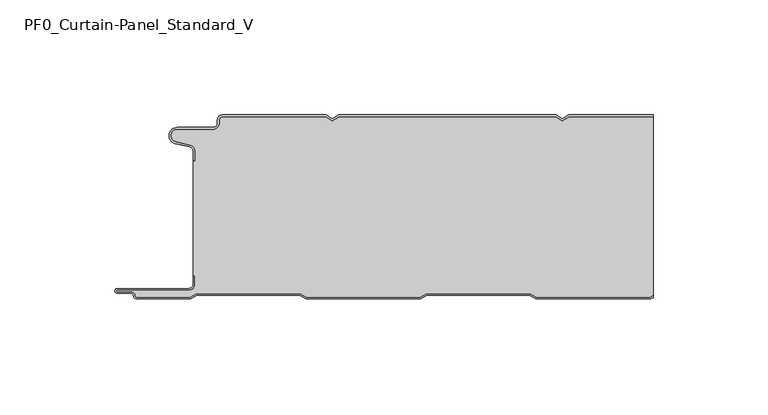
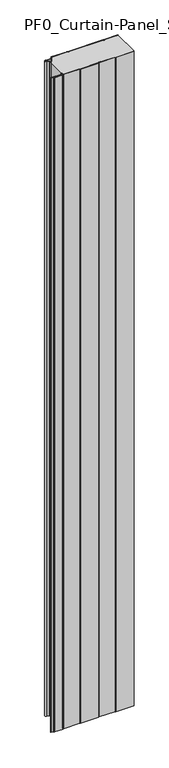
"""IFC4 building model written with IfcOpenShell, lengths in millimetres: plate geometry, PF0_Curtain-Panel_Standard_V."""

from ifc_helpers import new_model, si_unit, point, frame_2d, origin, origin_with_axes, place, context, project, spatial, polyline, circle_curve, trimmed, segment, composite_curve, outline, extrude, source, transform, mapped, element, save


def pf0_curtain_panel_standard_v_5901751e(model_context):
    return source(origin(), model_context, "Body", "SweptSolid", [
        extrude(outline(composite_curve([segment(trimmed(circle_curve(frame_2d((-102.0119739, -15.878557)), 2.0), [point((-100.0119739, -15.878557))], [point((-101.5620718, -13.9298169))], True, "CARTESIAN"), True, "CONTINUOUS"), segment(polyline([(-101.5620718, -13.9298169), (-107.7217978, -12.507732)]), True, "CONTINUOUS"), segment(trimmed(circle_curve(frame_2d((-106.9119739, -9.0)), 3.6), [point((-107.7217978, -12.507732))], [point((-106.9119739, -5.4))], False, "CARTESIAN"), True, "CONTINUOUS"), segment(polyline([(-106.9119739, -5.4), (-91.4119739, -5.4)]), True, "CONTINUOUS"), segment(trimmed(circle_curve(frame_2d((-91.4119739, -3.4)), 2.0), [point((-91.4119739, -5.4))], [point((-89.4119739, -3.4))], True, "CARTESIAN"), True, "CONTINUOUS"), segment(polyline([(-89.4119739, -3.4), (-89.4119739, -2.0)]), True, "CONTINUOUS"), segment(trimmed(circle_curve(frame_2d((-87.4119739, -2.0)), 2.0), [point((-89.4119739, -2.0))], [point((-87.4119739, 0.0))], False, "CARTESIAN"), True, "CONTINUOUS"), segment(polyline([(-87.4119739, 0.0), (-42.1119734, 0.0), (-39.4119739, -1.5588455), (-36.7119745, 0.0), (57.8880266, 0.0), (60.5880261, -1.5588455), (63.2880255, 0.0), (100.0119739, 0.0), (100.0119739, -0.8), (63.5023849, -0.8), (60.5880261, -2.482606), (57.6736672, -0.8), (-36.4976151, -0.8), (-39.4119739, -2.482606), (-42.3263328, -0.8), (-87.4119739, -0.8)]), True, "CONTINUOUS"), segment(trimmed(circle_curve(frame_2d((-87.4119739, -2.0)), 1.2), [point((-87.4119739, -0.8))], [point((-88.6119739, -2.0))], True, "CARTESIAN"), True, "CONTINUOUS"), segment(polyline([(-88.6119739, -2.0), (-88.6119739, -3.4)]), True, "CONTINUOUS"), segment(trimmed(circle_curve(frame_2d((-91.4119739, -3.4)), 2.8), [point((-88.6119739, -3.4))], [point((-91.4119739, -6.2))], False, "CARTESIAN"), True, "CONTINUOUS"), segment(polyline([(-91.4119739, -6.2), (-106.9119739, -6.2)]), True, "CONTINUOUS"), segment(trimmed(circle_curve(frame_2d((-106.9119739, -9.0)), 2.8), [point((-106.9119739, -6.2))], [point((-107.541837, -11.7282362))], True, "CARTESIAN"), True, "CONTINUOUS"), segment(polyline([(-107.541837, -11.7282362), (-101.3821109, -13.150321)]), True, "CONTINUOUS"), segment(trimmed(circle_curve(frame_2d((-102.0119739, -15.878557)), 2.8), [point((-101.3821109, -13.150321))], [point((-99.2119739, -15.878557))], False, "CARTESIAN"), True, "CONTINUOUS"), segment(polyline([(-99.2119739, -15.878557), (-99.2119739, -20.0), (-100.0119739, -20.0), (-100.0119739, -15.878557)]), True, "CONTINUOUS")], self_intersect=False)), origin_with_axes(), (0.0, 0.0, 1.0), 1945.7507136),
        extrude(outline(composite_curve([segment(polyline([(-99.2119739, -70.0), (-100.0119739, -70.0), (-100.0119739, -20.0), (-99.2119739, -20.0), (-99.2119739, -15.878557)]), True, "CONTINUOUS"), segment(trimmed(circle_curve(frame_2d((-102.0119739, -15.878557)), 2.8), [point((-99.2119739, -15.878557))], [point((-101.3821109, -13.1503208))], True, "CARTESIAN"), True, "CONTINUOUS"), segment(polyline([(-101.3821109, -13.1503208), (-107.5418369, -11.7282362)]), True, "CONTINUOUS"), segment(trimmed(circle_curve(frame_2d((-106.9119739, -9.0)), 2.8), [point((-107.5418369, -11.7282362))], [point((-106.9119739, -6.2))], False, "CARTESIAN"), True, "CONTINUOUS"), segment(polyline([(-106.9119739, -6.2), (-91.4119739, -6.2)]), True, "CONTINUOUS"), segment(trimmed(circle_curve(frame_2d((-91.4119739, -3.4)), 2.8), [point((-91.4119739, -6.2))], [point((-88.6119739, -3.4))], True, "CARTESIAN"), True, "CONTINUOUS"), segment(polyline([(-88.6119739, -3.4), (-88.6119739, -2.0)]), True, "CONTINUOUS"), segment(trimmed(circle_curve(frame_2d((-87.4119739, -2.0)), 1.2), [point((-88.6119739, -2.0))], [point((-87.4119739, -0.8))], False, "CARTESIAN"), True, "CONTINUOUS"), segment(polyline([(-87.4119739, -0.8), (-42.3263328, -0.8), (-39.4119739, -2.482606), (-36.4976151, -0.8), (57.6736672, -0.8), (60.5880261, -2.482606), (63.5023849, -0.8), (100.0119739, -0.8), (100.0119739, -78.4878024), (98.7784109, -79.2), (49.2032822, -79.2), (46.6052046, -77.7), (1.3764885, -77.7), (-1.2215891, -79.2), (-50.7967178, -79.2), (-53.3947954, -77.7), (-98.6235115, -77.7), (-101.2215891, -79.2), (-124.4119739, -79.2)]), True, "CONTINUOUS"), segment(trimmed(circle_curve(frame_2d((-124.4119739, -78.4)), 0.8), [point((-124.4119739, -79.2))], [point((-125.2119739, -78.4))], False, "CARTESIAN"), True, "CONTINUOUS"), segment(trimmed(circle_curve(frame_2d((-126.9119739, -78.6133333)), 1.7133333), [point((-125.2119739, -78.4))], [point((-126.9119739, -76.9))], True, "CARTESIAN"), True, "CONTINUOUS"), segment(polyline([(-126.9119739, -76.9), (-132.8820051, -76.9)]), True, "CONTINUOUS"), segment(trimmed(circle_curve(frame_2d((-132.8820051, -76.6)), 0.3), [point((-132.8820051, -76.9))], [point((-132.8820051, -76.3))], False, "CARTESIAN"), True, "CONTINUOUS"), segment(polyline([(-132.8820051, -76.3), (-102.0119739, -76.3)]), True, "CONTINUOUS"), segment(trimmed(circle_curve(frame_2d((-102.0119739, -73.5)), 2.8), [point((-102.0119739, -76.3))], [point((-99.2119739, -73.5))], True, "CARTESIAN"), True, "CONTINUOUS"), segment(polyline([(-99.2119739, -73.5), (-99.2119739, -70.0)]), True, "CONTINUOUS")], self_intersect=False)), origin_with_axes(), (0.0, 0.0, 1.0), 1945.7507136),
        extrude(outline(composite_curve([segment(polyline([(-100.0119739, -70.0), (-99.2119739, -70.0), (-99.2119739, -73.5)]), True, "CONTINUOUS"), segment(trimmed(circle_curve(frame_2d((-102.0119739, -73.5)), 2.8), [point((-99.2119739, -73.5))], [point((-102.0119739, -76.3))], False, "CARTESIAN"), True, "CONTINUOUS"), segment(polyline([(-102.0119739, -76.3), (-132.8820051, -76.3)]), True, "CONTINUOUS"), segment(trimmed(circle_curve(frame_2d((-132.8820051, -76.6)), 0.3), [point((-132.8820051, -76.3))], [point((-132.8820051, -76.9))], True, "CARTESIAN"), True, "CONTINUOUS"), segment(polyline([(-132.8820051, -76.9), (-126.9119739, -76.9)]), True, "CONTINUOUS"), segment(trimmed(circle_curve(frame_2d((-126.9119739, -78.6133333)), 1.7133333), [point((-126.9119739, -76.9))], [point((-125.2119739, -78.4))], False, "CARTESIAN"), True, "CONTINUOUS"), segment(trimmed(circle_curve(frame_2d((-124.4119739, -78.4)), 0.8), [point((-125.2119739, -78.4))], [point((-124.4119739, -79.2))], True, "CARTESIAN"), True, "CONTINUOUS"), segment(polyline([(-124.4119739, -79.2), (-101.2215891, -79.2), (-98.6235115, -77.7), (-53.3947954, -77.7), (-50.7967178, -79.2), (-1.2215891, -79.2), (1.3764885, -77.7), (46.6052046, -77.7), (49.2032822, -79.2), (98.7784109, -79.2), (100.0119739, -78.4878024), (100.0119739, -79.4115627), (98.9927701, -80.0), (48.988923, -80.0), (46.3908454, -78.5), (1.5908477, -78.5), (-1.0072299, -80.0), (-51.011077, -80.0), (-53.6091546, -78.5), (-98.4091523, -78.5), (-101.0072299, -80.0), (-124.4119739, -80.0)]), True, "CONTINUOUS"), segment(trimmed(circle_curve(frame_2d((-124.4119739, -78.4)), 1.6), [point((-124.4119739, -80.0))], [point((-126.0119739, -78.4))], False, "CARTESIAN"), True, "CONTINUOUS"), segment(trimmed(circle_curve(frame_2d((-126.9119739, -78.4)), 0.9), [point((-126.0119739, -78.4))], [point((-126.9119739, -77.5))], True, "CARTESIAN"), True, "CONTINUOUS"), segment(polyline([(-126.9119739, -77.5), (-133.0119739, -77.5)]), True, "CONTINUOUS"), segment(trimmed(circle_curve(frame_2d((-133.0119739, -76.5)), 1.0), [point((-133.0119739, -77.5))], [point((-133.0119739, -75.5))], False, "CARTESIAN"), True, "CONTINUOUS"), segment(polyline([(-133.0119739, -75.5), (-102.0119739, -75.5)]), True, "CONTINUOUS"), segment(trimmed(circle_curve(frame_2d((-102.0119739, -73.5)), 2.0), [point((-102.0119739, -75.5))], [point((-100.0119739, -73.5))], True, "CARTESIAN"), True, "CONTINUOUS"), segment(polyline([(-100.0119739, -73.5), (-100.0119739, -70.0)]), True, "CONTINUOUS")], self_intersect=False)), origin_with_axes(), (0.0, 0.0, 1.0), 1945.7507136),
    ])


if __name__ == "__main__":
    model = new_model("IFC4")
    model_context = context("Model", 3, world=origin())
    ifc_project = project(units=[si_unit("LENGTHUNIT", "METRE", prefix="MILLI")], contexts=[model_context])
    site = spatial("IfcSite", under=ifc_project)
    building = spatial("IfcBuilding", under=site)
    placement = place(None, origin())
    pf0_curtain_panel_standard_v_shape = pf0_curtain_panel_standard_v_5901751e(model_context)
    element("IfcPlate", 1, ObjectType="PF0_Curtain-Panel_Standard_V", at=placement, inside=building, context=model_context, shape_type="MappedRepresentation", body=[
        mapped(pf0_curtain_panel_standard_v_shape, transform((0.0, 0.0, 0.0), x_axis=(1.0, 0.0, 0.0), y_axis=(0.0, 1.0, 0.0), z_axis=(0.0, 0.0, 1.0))),
    ])
    save(model, "model.ifc")
